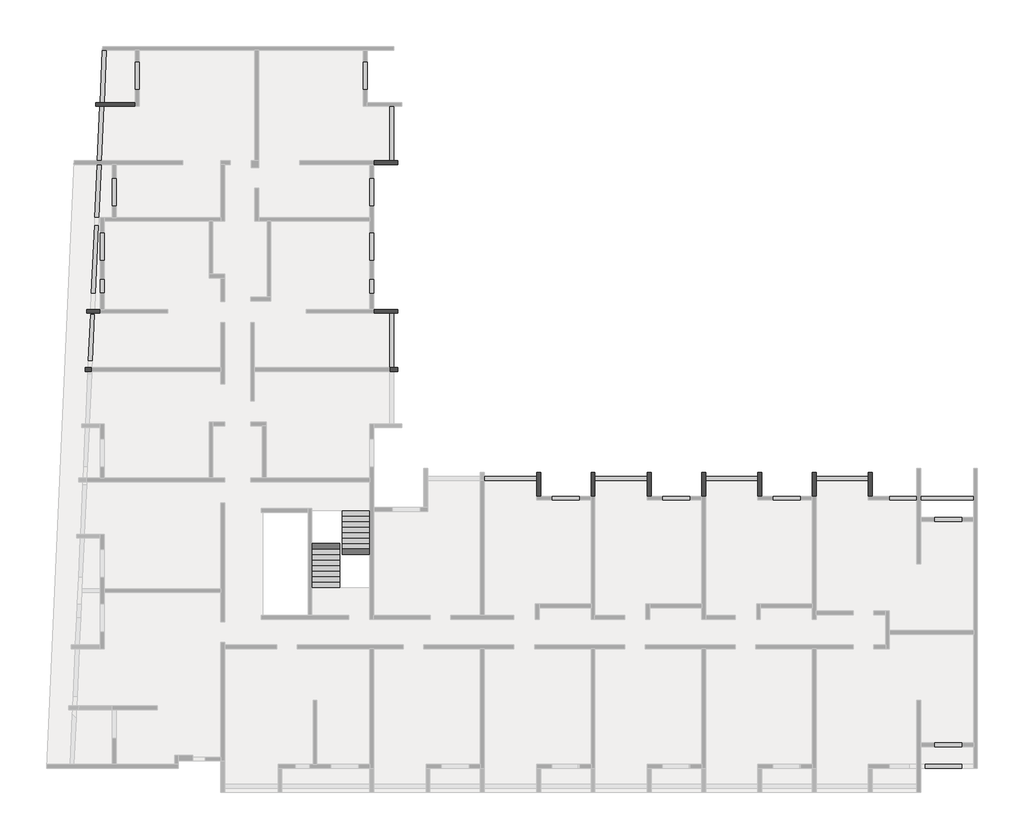
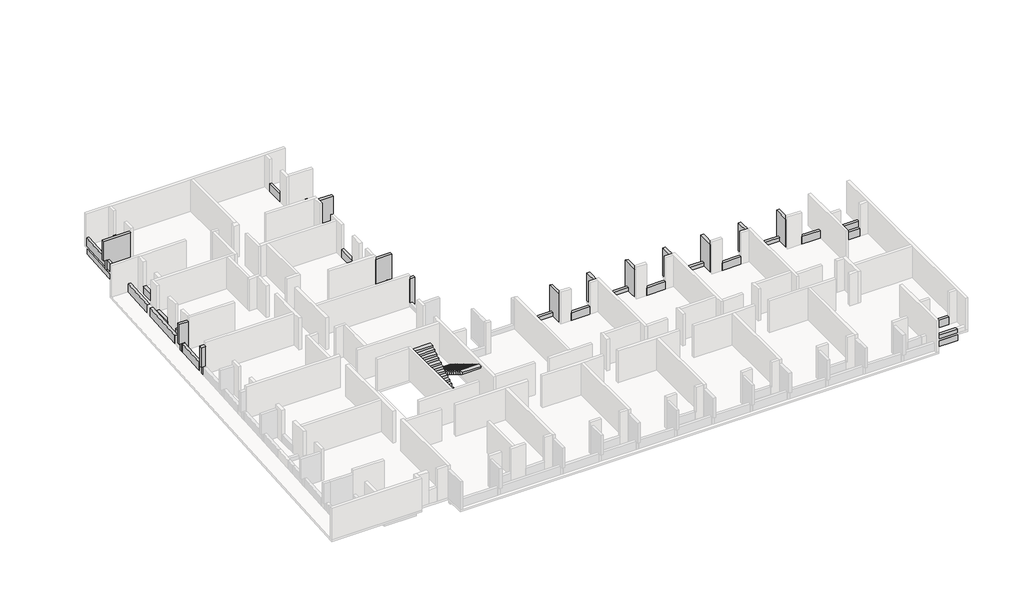
# One storey, part 5 of 5: 40 beams, 2 stair flights.
"""IFC4 building model written with IfcOpenShell, lengths in millimetres."""

from ifc_helpers import new_model, si_unit, frame, origin, place, context, project, spatial, polyline, outline, extrude, faceted_brep, element, save

model = new_model("IFC4")

# Units and contexts
model_context = context("Model", 3, world=origin())
ifc_project = project(units=[si_unit("LENGTHUNIT", "METRE", prefix="MILLI")], contexts=[model_context])

# Site, building, storey
site = spatial("IfcSite", under=ifc_project)
building = spatial("IfcBuilding", under=site)
storey = spatial("IfcBuildingStorey", under=building, Elevation=4700.0)

# Beams
placement = place(None, origin())
element("IfcBeam", 1, ObjectType="VI. 20/238", at=placement, inside=storey, context=model_context, shape_type="Brep", body=[
    faceted_brep([(-43135.6912908, 4200.9327501, 6930.0), (-43135.6912908, 4000.9327501, 6930.0), (-43135.6912908, 4000.9327501, 4700.0), (-43135.6912908, 4200.9327501, 4700.0), (-43830.6912908, 4000.9327501, 6930.0), (-43830.6912908, 4200.9327501, 6930.0), (-43830.6912908, 4200.9327501, 5350.0), (-43830.6912908, 4000.9327501, 5350.0), (-43638.6233787, 4000.9327501, 5350.0), (-43638.6233787, 4000.9327501, 4550.0), (-43635.7305686, 4000.9327501, 4550.0), (-43635.7305686, 4000.9327501, 5350.0), (-43435.5248768, 4000.9327501, 5350.0), (-43435.5248768, 4000.9327501, 4700.0), (-43626.6575861, 4200.9327501, 4550.0), (-43638.6233787, 4200.9327501, 4550.0), (-43426.4518943, 4200.9327501, 4700.0), (-43426.4518943, 4200.9327501, 5350.0), (-43626.6575861, 4200.9327501, 5350.0), (-43638.6233787, 4200.9327501, 5350.0)], [[[0, 1, 2, 3]], [[4, 5, 6, 7]], [[1, 4, 7, 8, 9, 10, 11, 12, 13, 2]], [[14, 10, 9, 15]], [[5, 0, 3, 16, 17, 18, 14, 15, 19, 6]], [[1, 0, 5, 4]], [[3, 2, 13, 16]], [[10, 14, 18, 11]], [[12, 17, 16, 13]], [[17, 12, 11, 18]], [[8, 19, 15, 9]], [[19, 8, 7, 6]]]),
])
element("IfcBeam", 2, ObjectType="VI. 20/238", at=placement, inside=storey, context=model_context, shape_type="Brep", body=[
    faceted_brep([(-3415.6912908, -5419.0672499, 6930.0), (-3615.6912908, -5419.0672499, 6930.0), (-3615.6912908, -5419.0672499, 4700.0), (-3415.6912908, -5419.0672499, 4700.0), (-3615.6912908, -4199.0672499, 6930.0), (-3415.6912908, -4199.0672499, 6930.0), (-3415.6912908, -4199.0672499, 4700.0), (-3615.6912908, -4199.0672499, 4700.0), (-3615.6912908, -4399.0672499, 4700.0), (-3615.6912908, -4599.0672499, 4700.0)], [[[0, 1, 2, 3]], [[4, 5, 6, 7]], [[1, 4, 7, 8, 9, 2]], [[5, 0, 3, 6]], [[1, 0, 5, 4]], [[3, 2, 9, 8, 7, 6]]]),
])
element("IfcBeam", 3, ObjectType="VI. 20/238", at=placement, inside=storey, context=model_context, shape_type="Brep", body=[
    faceted_brep([(-9105.6912908, -5419.0672499, 6930.0), (-9305.6912908, -5419.0672499, 6930.0), (-9305.6912908, -5419.0672499, 4700.0), (-9105.6912908, -5419.0672499, 4700.0), (-9305.6912908, -4199.0672499, 6930.0), (-9105.6912908, -4199.0672499, 6930.0), (-9105.6912908, -4199.0672499, 4700.0), (-9305.6912908, -4199.0672499, 4700.0), (-9305.6912908, -4399.0672499, 4700.0), (-9305.6912908, -4399.0672499, 5000.0), (-9305.6912908, -4599.0672499, 5000.0), (-9305.6912908, -4599.0672499, 4700.0), (-9275.6912908, -4599.0672499, 5000.0), (-9275.6912908, -4399.0672499, 5000.0), (-9275.6912908, -4399.0672499, 4700.0), (-9275.6912908, -4599.0672499, 4700.0)], [[[0, 1, 2, 3]], [[4, 5, 6, 7]], [[1, 4, 7, 8, 9, 10, 11, 2]], [[5, 0, 3, 6]], [[1, 0, 5, 4]], [[12, 13, 14, 15]], [[10, 12, 15, 11]], [[13, 12, 10, 9]], [[13, 9, 8, 14]], [[3, 2, 11, 15, 14, 8, 7, 6]]]),
])
element("IfcBeam", 4, ObjectType="VI. 20/238", at=placement, inside=storey, context=model_context, shape_type="Brep", body=[
    faceted_brep([(-20485.6912908, -5419.0672499, 6930.0), (-20685.6912908, -5419.0672499, 6930.0), (-20685.6912908, -5419.0672499, 4700.0), (-20485.6912908, -5419.0672499, 4700.0), (-20685.6912908, -4199.0672499, 6930.0), (-20485.6912908, -4199.0672499, 6930.0), (-20485.6912908, -4199.0672499, 4700.0), (-20685.6912908, -4199.0672499, 4700.0), (-20685.6912908, -4399.0672499, 4700.0), (-20685.6912908, -4399.0672499, 5000.0), (-20685.6912908, -4599.0672499, 5000.0), (-20685.6912908, -4599.0672499, 4700.0), (-20655.6912908, -4599.0672499, 5000.0), (-20655.6912908, -4399.0672499, 5000.0), (-20655.6912908, -4399.0672499, 4700.0), (-20655.6912908, -4599.0672499, 4700.0)], [[[0, 1, 2, 3]], [[4, 5, 6, 7]], [[1, 4, 7, 8, 9, 10, 11, 2]], [[5, 0, 3, 6]], [[1, 0, 5, 4]], [[12, 13, 14, 15]], [[10, 12, 15, 11]], [[13, 12, 10, 9]], [[13, 9, 8, 14]], [[3, 2, 11, 15, 14, 8, 7, 6]]]),
])
element("IfcBeam", 5, ObjectType="VI. 20/238", at=placement, inside=storey, context=model_context, shape_type="Brep", body=[
    faceted_brep([(-14995.6912908, -4199.0672499, 6930.0), (-14795.6912908, -4199.0672499, 6930.0), (-14795.6912908, -4199.0672499, 4700.0), (-14995.6912908, -4199.0672499, 4700.0), (-14795.6912908, -5419.0672499, 6930.0), (-14995.6912908, -5419.0672499, 6930.0), (-14995.6912908, -5419.0672499, 4700.0), (-14795.6912908, -5419.0672499, 4700.0), (-14995.6912908, -4399.0672499, 4700.0), (-14995.6912908, -4399.0672499, 5000.0), (-14995.6912908, -4599.0672499, 5000.0), (-14995.6912908, -4599.0672499, 4700.0), (-14965.6912908, -4599.0672499, 5000.0), (-14965.6912908, -4399.0672499, 5000.0), (-14965.6912908, -4399.0672499, 4700.0), (-14965.6912908, -4599.0672499, 4700.0)], [[[0, 1, 2, 3]], [[4, 5, 6, 7]], [[1, 4, 7, 2]], [[5, 0, 3, 8, 9, 10, 11, 6]], [[1, 0, 5, 4]], [[12, 13, 14, 15]], [[10, 12, 15, 11]], [[13, 12, 10, 9]], [[13, 9, 8, 14]], [[3, 2, 7, 6, 11, 15, 14, 8]]]),
])
element("IfcBeam", 6, ObjectType="VI. 20/238", at=placement, inside=storey, context=model_context, shape_type="Brep", body=[
    faceted_brep([(-41335.6912908, 14850.9327501, 6930.0), (-41335.6912908, 14650.9327501, 6930.0), (-41335.6912908, 14650.9327501, 4700.0), (-41335.6912908, 14850.9327501, 4700.0), (-43355.6912908, 14650.9327501, 6930.0), (-43355.6912908, 14850.9327501, 6930.0), (-43355.6912908, 14850.9327501, 5350.0), (-43355.6912908, 14650.9327501, 5350.0), (-43154.5236196, 14650.9327501, 5350.0), (-43154.5236196, 14650.9327501, 4550.0), (-43152.5942526, 14650.9327501, 4550.0), (-43152.5942526, 14650.9327501, 4700.0), (-42952.3885608, 14650.9327501, 4700.0), (-43154.5236196, 14850.9327501, 4550.0), (-43143.5212701, 14850.9327501, 4550.0), (-42943.3155784, 14850.9327501, 4700.0), (-43143.5212701, 14850.9327501, 4700.0), (-43154.5236196, 14850.9327501, 5350.0)], [[[0, 1, 2, 3]], [[4, 5, 6, 7]], [[1, 4, 7, 8, 9, 10, 11, 12, 2]], [[9, 13, 14, 10]], [[5, 0, 3, 15, 16, 14, 13, 17, 6]], [[1, 0, 5, 4]], [[11, 16, 15, 3, 2, 12]], [[16, 11, 10, 14]], [[8, 17, 13, 9]], [[17, 8, 7, 6]]]),
])
element("IfcBeam", 7, ObjectType="VI. 20/238", at=placement, inside=storey, context=model_context, shape_type="Brep", body=[
    faceted_brep([(-43571.6196137, 1000.9327501, 6930.0), (-43917.1345454, 1000.9327501, 6930.0), (-43917.1345454, 1000.9327501, 5350.0), (-43771.8253055, 1000.9327501, 5350.0), (-43571.6196137, 1000.9327501, 5350.0), (-43917.1345454, 1200.9327501, 6930.0), (-43562.5466312, 1200.9327501, 6930.0), (-43562.5466312, 1200.9327501, 5350.0), (-43762.752323, 1200.9327501, 5350.0), (-43762.752323, 1200.9327501, 4700.0), (-43771.8253055, 1200.9327501, 4700.0), (-43771.8253055, 1200.9327501, 5350.0), (-43917.1345454, 1200.9327501, 5350.0), (-43771.8253055, 1000.9327501, 4700.0)], [[[0, 1, 2, 3, 4]], [[5, 6, 7, 8, 9, 10, 11, 12]], [[5, 1, 0, 6]], [[13, 10, 9]], [[8, 3, 13, 9]], [[3, 8, 7, 4]], [[6, 0, 4, 7]], [[3, 11, 10, 13]], [[11, 3, 2, 12]], [[1, 5, 12, 2]]]),
])
element("IfcBeam", 8, ObjectType="VI. 20/238", at=placement, inside=storey, context=model_context, shape_type="Brep", body=[
    faceted_brep([(-27835.6912908, 11850.9327501, 6930.0), (-27835.6912908, 11650.9327501, 6930.0), (-27835.6912908, 11650.9327501, 4700.0), (-27835.6912908, 11850.9327501, 4700.0), (-29065.6912908, 11650.9327501, 4700.0), (-29065.6912908, 11650.9327501, 6930.0), (-28035.6912908, 11850.9327501, 4700.0), (-28235.6912908, 11850.9327501, 4700.0), (-29065.6912908, 11850.9327501, 4700.0), (-29065.6912908, 11850.9327501, 6930.0)], [[[0, 1, 2, 3]], [[4, 2, 1, 5]], [[3, 6, 7, 8, 9, 0]], [[1, 0, 9, 5]], [[2, 4, 8, 7, 6, 3]], [[4, 5, 9, 8]]]),
])
element("IfcBeam", 9, ObjectType="VI. 20/238", at=placement, inside=storey, context=model_context, shape_type="Brep", body=[
    faceted_brep([(-27835.6912908, 4200.9327501, 6930.0), (-27835.6912908, 4000.9327501, 6930.0), (-27835.6912908, 4000.9327501, 4700.0), (-27835.6912908, 4200.9327501, 4700.0), (-29065.6912908, 4200.9327501, 4700.0), (-29065.6912908, 4200.9327501, 6930.0), (-28035.6912908, 4000.9327501, 4700.0), (-29065.6912908, 4000.9327501, 6930.0), (-29065.6912908, 4000.9327501, 4700.0), (-28235.6912908, 4000.9327501, 4700.0)], [[[0, 1, 2, 3]], [[3, 4, 5, 0]], [[6, 2, 1, 7, 8, 9]], [[1, 0, 5, 7]], [[4, 3, 2, 6, 9, 8]], [[5, 4, 8, 7]]]),
])
element("IfcBeam", 10, ObjectType="VI. 20/238", at=placement, inside=storey, context=model_context, shape_type="Brep", body=[
    faceted_brep([(-28235.6912908, 1000.9327501, 6930.0), (-28235.6912908, 1200.9327501, 6930.0), (-28235.6912908, 1200.9327501, 5000.0), (-28235.6912908, 1200.9327501, 4700.0), (-28235.6912908, 1000.9327501, 4700.0), (-28235.6912908, 1000.9327501, 5000.0), (-27835.6912908, 1200.9327501, 6930.0), (-27835.6912908, 1000.9327501, 6930.0), (-27835.6912908, 1000.9327501, 4700.0), (-27835.6912908, 1200.9327501, 4700.0), (-28035.6912908, 1200.9327501, 4700.0), (-28035.6912908, 1000.9327501, 4700.0)], [[[0, 1, 2, 3, 4, 5]], [[6, 7, 8, 9]], [[1, 6, 9, 10, 3, 2]], [[7, 0, 5, 4, 11, 8]], [[1, 0, 7, 6]], [[4, 3, 10, 9, 8, 11]]]),
])
element("IfcBeam", 11, ObjectType="VI. 20/238", at=placement, inside=storey, context=model_context, shape_type="Brep", body=[
    faceted_brep([(-6305.6912908, -5419.0672499, 6930.0), (-6505.6912908, -5419.0672499, 6930.0), (-6505.6912908, -5419.0672499, 4700.0), (-6305.6912908, -5419.0672499, 4700.0), (-6505.6912908, -4199.0672499, 6930.0), (-6305.6912908, -4199.0672499, 6930.0), (-6305.6912908, -4199.0672499, 4700.0), (-6505.6912908, -4199.0672499, 4700.0), (-6305.6912908, -4599.0672499, 4700.0), (-6305.6912908, -4399.0672499, 4700.0)], [[[0, 1, 2, 3]], [[4, 5, 6, 7]], [[1, 4, 7, 2]], [[5, 0, 3, 8, 9, 6]], [[1, 0, 5, 4]], [[3, 2, 7, 6, 9, 8]]]),
])
element("IfcBeam", 12, ObjectType="VI. 20/238", at=placement, inside=storey, context=model_context, shape_type="Brep", body=[
    faceted_brep([(-11995.6912908, -5419.0672499, 6930.0), (-12195.6912908, -5419.0672499, 6930.0), (-12195.6912908, -5419.0672499, 4700.0), (-11995.6912908, -5419.0672499, 4700.0), (-12195.6912908, -4199.0672499, 6930.0), (-11995.6912908, -4199.0672499, 6930.0), (-11995.6912908, -4199.0672499, 4700.0), (-12195.6912908, -4199.0672499, 4700.0), (-11995.6912908, -4599.0672499, 4700.0), (-11995.6912908, -4399.0672499, 4700.0)], [[[0, 1, 2, 3]], [[4, 5, 6, 7]], [[1, 4, 7, 2]], [[5, 0, 3, 8, 9, 6]], [[1, 0, 5, 4]], [[3, 2, 7, 6, 9, 8]]]),
])
element("IfcBeam", 13, ObjectType="VI. 20/238", at=placement, inside=storey, context=model_context, shape_type="Brep", body=[
    faceted_brep([(-17685.6912908, -5419.0672499, 6930.0), (-17885.6912908, -5419.0672499, 6930.0), (-17885.6912908, -5419.0672499, 4700.0), (-17685.6912908, -5419.0672499, 4700.0), (-17885.6912908, -4199.0672499, 6930.0), (-17685.6912908, -4199.0672499, 6930.0), (-17685.6912908, -4199.0672499, 4700.0), (-17885.6912908, -4199.0672499, 4700.0), (-17685.6912908, -4599.0672499, 4700.0), (-17685.6912908, -4399.0672499, 4700.0)], [[[0, 1, 2, 3]], [[4, 5, 6, 7]], [[1, 4, 7, 2]], [[5, 0, 3, 8, 9, 6]], [[1, 0, 5, 4]], [[3, 2, 7, 6, 9, 8]]]),
])
element("IfcBeam", 14, ObjectType="VI. 20/45", at=placement, inside=storey, context=model_context, shape_type="SweptSolid", body=[
    extrude(outline(polyline([(-3615.6912908, -4399.0672499), (-3615.6912908, -4599.0672499), (-6305.6912908, -4599.0672499), (-6305.6912908, -4399.0672499), (-3615.6912908, -4399.0672499)])), frame((0.0, 0.0, 4700.0), z_axis=(0.0, 0.0, 1.0), x_axis=(1.0, 0.0, 0.0)), (0.0, 0.0, 1.0), 300.0),
])
element("IfcBeam", 15, ObjectType="VI. 20/45", at=placement, inside=storey, context=model_context, shape_type="Brep", body=[
    faceted_brep([(-9275.6912908, -4399.0672499, 5000.0), (-9275.6912908, -4599.0672499, 5000.0), (-9275.6912908, -4599.0672499, 4700.0), (-9275.6912908, -4399.0672499, 4700.0), (-11995.6912908, -4599.0672499, 5000.0), (-11995.6912908, -4399.0672499, 5000.0), (-11995.6912908, -4399.0672499, 4700.0), (-11995.6912908, -4599.0672499, 4700.0), (-9305.6912908, -4599.0672499, 5000.0), (-9305.6912908, -4599.0672499, 4700.0), (-9305.6912908, -4399.0672499, 5000.0), (-9305.6912908, -4399.0672499, 4700.0)], [[[0, 1, 2, 3]], [[4, 5, 6, 7]], [[1, 8, 4, 7, 9, 2]], [[5, 10, 0, 3, 11, 6]], [[1, 0, 10, 5, 4, 8]], [[3, 2, 9, 7, 6, 11]]]),
])
element("IfcBeam", 16, ObjectType="VI. 20/45", at=placement, inside=storey, context=model_context, shape_type="Brep", body=[
    faceted_brep([(-14965.6912908, -4399.0672499, 5000.0), (-14965.6912908, -4599.0672499, 5000.0), (-14965.6912908, -4599.0672499, 4700.0), (-14965.6912908, -4399.0672499, 4700.0), (-17685.6912908, -4599.0672499, 5000.0), (-17685.6912908, -4399.0672499, 5000.0), (-17685.6912908, -4399.0672499, 4700.0), (-17685.6912908, -4599.0672499, 4700.0), (-14995.6912908, -4599.0672499, 5000.0), (-14995.6912908, -4599.0672499, 4700.0), (-14995.6912908, -4399.0672499, 5000.0), (-14995.6912908, -4399.0672499, 4700.0)], [[[0, 1, 2, 3]], [[4, 5, 6, 7]], [[1, 8, 4, 7, 9, 2]], [[5, 10, 0, 3, 11, 6]], [[1, 0, 10, 5, 4, 8]], [[3, 2, 9, 7, 6, 11]]]),
])
element("IfcBeam", 17, ObjectType="VI. 20/45", at=placement, inside=storey, context=model_context, shape_type="Brep", body=[
    faceted_brep([(-20655.6912908, -4399.0672499, 5000.0), (-20655.6912908, -4599.0672499, 5000.0), (-20655.6912908, -4599.0672499, 4700.0), (-20655.6912908, -4399.0672499, 4700.0), (-23375.6912908, -4599.0672499, 5000.0), (-23375.6912908, -4399.0672499, 5000.0), (-23375.6912908, -4399.0672499, 4700.0), (-23375.6912908, -4599.0672499, 4700.0), (-20685.6912908, -4599.0672499, 5000.0), (-20685.6912908, -4599.0672499, 4700.0), (-20685.6912908, -4399.0672499, 5000.0), (-20685.6912908, -4399.0672499, 4700.0)], [[[0, 1, 2, 3]], [[4, 5, 6, 7]], [[1, 8, 4, 7, 9, 2]], [[5, 10, 0, 3, 11, 6]], [[1, 0, 10, 5, 4, 8]], [[3, 2, 9, 7, 6, 11]]]),
])
element("IfcBeam", 18, ObjectType="VI. 20/45", at=placement, inside=storey, context=model_context, shape_type="SweptSolid", body=[
    extrude(outline(polyline([(-28235.6912908, 14650.9327501), (-28035.6912908, 14650.9327501), (-28035.6912908, 11850.9327501), (-28235.6912908, 11850.9327501), (-28235.6912908, 14650.9327501)])), frame((0.0, 0.0, 4700.0), z_axis=(0.0, 0.0, 1.0), x_axis=(1.0, 0.0, 0.0)), (0.0, 0.0, 1.0), 300.0),
])
element("IfcBeam", 19, ObjectType="VI. 20/45", at=placement, inside=storey, context=model_context, shape_type="SweptSolid", body=[
    extrude(outline(polyline([(-28035.6912908, 1200.9327501), (-28235.6912908, 1200.9327501), (-28235.6912908, 4000.9327501), (-28035.6912908, 4000.9327501), (-28035.6912908, 1200.9327501)])), frame((0.0, 0.0, 4700.0), z_axis=(0.0, 0.0, 1.0), x_axis=(1.0, 0.0, 0.0)), (0.0, 0.0, 1.0), 300.0),
])
element("IfcBeam", 20, ObjectType="VI. 20/47", at=placement, inside=storey, context=model_context, shape_type="Brep", body=[
    faceted_brep([(1794.3087092, -5619.0672499, 5020.0), (1794.3087092, -5619.0672499, 4550.0), (1794.3087092, -5419.0672499, 4550.0), (1794.3087092, -5419.0672499, 5020.0), (-925.6912908, -5619.0672499, 5020.0), (-925.6912908, -5419.0672499, 5020.0), (-925.6912908, -5419.0672499, 4700.0), (-925.6912908, -5419.0672499, 4550.0), (-925.6912908, -5619.0672499, 4550.0), (-925.6912908, -5619.0672499, 4700.0)], [[[0, 1, 2, 3]], [[4, 5, 6, 7, 8, 9]], [[1, 0, 4, 9, 8]], [[2, 1, 8, 7]], [[3, 2, 7, 6, 5]], [[0, 3, 5, 4]]]),
])
element("IfcBeam", 21, ObjectType="VI. 20/47", at=placement, inside=storey, context=model_context, shape_type="SweptSolid", body=[
    extrude(outline(polyline([(1214.3087092, -19219.0672499), (1214.3087092, -19419.0672499), (-725.6912908, -19419.0672499), (-725.6912908, -19219.0672499), (1214.3087092, -19219.0672499)])), frame((0.0, 0.0, 4700.0), z_axis=(0.0, 0.0, 1.0), x_axis=(1.0, 0.0, 0.0)), (0.0, 0.0, 1.0), 320.0),
])
element("IfcBeam", 22, ObjectType="VI. 20/75", at=placement, inside=storey, context=model_context, shape_type="SweptSolid", body=[
    extrude(outline(polyline([(1189.3087092, -6519.0672499), (1189.3087092, -6719.0672499), (-200.6912908, -6719.0672499), (-200.6912908, -6519.0672499), (1189.3087092, -6519.0672499)])), frame((0.0, 0.0, 4700.0), z_axis=(0.0, 0.0, 1.0), x_axis=(1.0, 0.0, 0.0)), (0.0, 0.0, 1.0), 600.0),
])
element("IfcBeam", 23, ObjectType="VI. 20/75", at=placement, inside=storey, context=model_context, shape_type="SweptSolid", body=[
    extrude(outline(polyline([(-1125.6912908, -5419.0672499), (-1125.6912908, -5619.0672499), (-2545.6912908, -5619.0672499), (-2545.6912908, -5419.0672499), (-1125.6912908, -5419.0672499)])), frame((0.0, 0.0, 4700.0), z_axis=(0.0, 0.0, 1.0), x_axis=(1.0, 0.0, 0.0)), (0.0, 0.0, 1.0), 600.0),
])
element("IfcBeam", 24, ObjectType="VI. 20/75", at=placement, inside=storey, context=model_context, shape_type="SweptSolid", body=[
    extrude(outline(polyline([(1189.3087092, -18119.0672499), (1189.3087092, -18319.0672499), (-200.6912908, -18319.0672499), (-200.6912908, -18119.0672499), (1189.3087092, -18119.0672499)])), frame((0.0, 0.0, 4700.0), z_axis=(0.0, 0.0, 1.0), x_axis=(1.0, 0.0, 0.0)), (0.0, 0.0, 1.0), 600.0),
])
element("IfcBeam", 25, ObjectType="VI. 20/75", at=placement, inside=storey, context=model_context, shape_type="SweptSolid", body=[
    extrude(outline(polyline([(-7085.6912908, -5419.0672499), (-7085.6912908, -5619.0672499), (-8525.6912908, -5619.0672499), (-8525.6912908, -5419.0672499), (-7085.6912908, -5419.0672499)])), frame((0.0, 0.0, 4700.0), z_axis=(0.0, 0.0, 1.0), x_axis=(1.0, 0.0, 0.0)), (0.0, 0.0, 1.0), 600.0),
])
element("IfcBeam", 26, ObjectType="VI. 20/75", at=placement, inside=storey, context=model_context, shape_type="SweptSolid", body=[
    extrude(outline(polyline([(-41135.6912908, 15510.9327501), (-41335.6912908, 15510.9327501), (-41335.6912908, 16950.9327501), (-41135.6912908, 16950.9327501), (-41135.6912908, 15510.9327501)])), frame((0.0, 0.0, 4700.0), z_axis=(0.0, 0.0, 1.0), x_axis=(1.0, 0.0, 0.0)), (0.0, 0.0, 1.0), 600.0),
])
element("IfcBeam", 27, ObjectType="VI. 20/75", at=placement, inside=storey, context=model_context, shape_type="SweptSolid", body=[
    extrude(outline(polyline([(-42525.6912908, 10950.9327501), (-42325.6912908, 10950.9327501), (-42325.6912908, 9510.9327501), (-42525.6912908, 9510.9327501), (-42525.6912908, 10950.9327501)])), frame((0.0, 0.0, 4700.0), z_axis=(0.0, 0.0, 1.0), x_axis=(1.0, 0.0, 0.0)), (0.0, 0.0, 1.0), 600.0),
])
element("IfcBeam", 28, ObjectType="VI. 20/75", at=placement, inside=storey, context=model_context, shape_type="SweptSolid", body=[
    extrude(outline(polyline([(-29265.6912908, 8150.9327501), (-29065.6912908, 8150.9327501), (-29065.6912908, 6710.9327501), (-29265.6912908, 6710.9327501), (-29265.6912908, 8150.9327501)])), frame((0.0, 0.0, 4700.0), z_axis=(0.0, 0.0, 1.0), x_axis=(1.0, 0.0, 0.0)), (0.0, 0.0, 1.0), 600.0),
])
element("IfcBeam", 29, ObjectType="VI. 20/75", at=placement, inside=storey, context=model_context, shape_type="SweptSolid", body=[
    extrude(outline(polyline([(-42935.6912908, 6710.9327501), (-43135.6912908, 6710.9327501), (-43135.6912908, 8150.9327501), (-42935.6912908, 8150.9327501), (-42935.6912908, 6710.9327501)])), frame((0.0, 0.0, 4700.0), z_axis=(0.0, 0.0, 1.0), x_axis=(1.0, 0.0, 0.0)), (0.0, 0.0, 1.0), 600.0),
])
element("IfcBeam", 30, ObjectType="VI. 20/75", at=placement, inside=storey, context=model_context, shape_type="SweptSolid", body=[
    extrude(outline(polyline([(-12775.6912908, -5419.0672499), (-12775.6912908, -5619.0672499), (-14215.6912908, -5619.0672499), (-14215.6912908, -5419.0672499), (-12775.6912908, -5419.0672499)])), frame((0.0, 0.0, 4700.0), z_axis=(0.0, 0.0, 1.0), x_axis=(1.0, 0.0, 0.0)), (0.0, 0.0, 1.0), 600.0),
])
element("IfcBeam", 31, ObjectType="VI. 20/75", at=placement, inside=storey, context=model_context, shape_type="SweptSolid", body=[
    extrude(outline(polyline([(-18465.6912908, -5419.0672499), (-18465.6912908, -5619.0672499), (-19905.6912908, -5619.0672499), (-19905.6912908, -5419.0672499), (-18465.6912908, -5419.0672499)])), frame((0.0, 0.0, 4700.0), z_axis=(0.0, 0.0, 1.0), x_axis=(1.0, 0.0, 0.0)), (0.0, 0.0, 1.0), 600.0),
])
element("IfcBeam", 32, ObjectType="VI. 20/75", at=placement, inside=storey, context=model_context, shape_type="SweptSolid", body=[
    extrude(outline(polyline([(-42935.6912908, 5030.9327501), (-43135.6912908, 5030.9327501), (-43135.6912908, 5770.9327501), (-42935.6912908, 5770.9327501), (-42935.6912908, 5030.9327501)])), frame((0.0, 0.0, 4700.0), z_axis=(0.0, 0.0, 1.0), x_axis=(1.0, 0.0, 0.0)), (0.0, 0.0, 1.0), 600.0),
])
element("IfcBeam", 33, ObjectType="VI. 20/75", at=placement, inside=storey, context=model_context, shape_type="SweptSolid", body=[
    extrude(outline(polyline([(-29265.6912908, 5760.9327501), (-29065.6912908, 5760.9327501), (-29065.6912908, 5020.9327501), (-29265.6912908, 5020.9327501), (-29265.6912908, 5760.9327501)])), frame((0.0, 0.0, 4700.0), z_axis=(0.0, 0.0, 1.0), x_axis=(1.0, 0.0, 0.0)), (0.0, 0.0, 1.0), 600.0),
])
element("IfcBeam", 34, ObjectType="VI. 20/75", at=placement, inside=storey, context=model_context, shape_type="SweptSolid", body=[
    extrude(outline(polyline([(-29265.6912908, 10925.9327501), (-29065.6912908, 10925.9327501), (-29065.6912908, 9535.9327501), (-29265.6912908, 9535.9327501), (-29265.6912908, 10925.9327501)])), frame((0.0, 0.0, 4700.0), z_axis=(0.0, 0.0, 1.0), x_axis=(1.0, 0.0, 0.0)), (0.0, 0.0, 1.0), 600.0),
])
element("IfcBeam", 35, ObjectType="VI. 20/75", at=placement, inside=storey, context=model_context, shape_type="SweptSolid", body=[
    extrude(outline(polyline([(-29595.6912908, 16950.9327501), (-29395.6912908, 16950.9327501), (-29395.6912908, 15510.9327501), (-29595.6912908, 15510.9327501), (-29595.6912908, 16950.9327501)])), frame((0.0, 0.0, 4700.0), z_axis=(0.0, 0.0, 1.0), x_axis=(1.0, 0.0, 0.0)), (0.0, 0.0, 1.0), 600.0),
])
element("IfcBeam", 36, ObjectType="VSI. 20/60+32", at=placement, inside=storey, context=model_context, shape_type="SweptSolid", body=[
    extrude(outline(polyline([(1214.3087092, -19219.0672499), (1214.3087092, -19419.0672499), (-725.6912908, -19419.0672499), (-725.6912908, -19219.0672499), (1214.3087092, -19219.0672499)])), frame((0.0, 0.0, 4100.0), z_axis=(0.0, 0.0, 1.0), x_axis=(1.0, 0.0, 0.0)), (0.0, 0.0, 1.0), 450.0),
])
element("IfcBeam", 37, ObjectType="VSI. 20/60+65", at=placement, inside=storey, context=model_context, shape_type="SweptSolid", body=[
    extrude(outline(polyline([(-43547.1589049, 1540.1316067), (-43746.9534244, 1549.1952676), (-43637.9988142, 3950.9327501), (-43437.7931224, 3950.9327501), (-43547.1589049, 1540.1316067)])), frame((0.0, 0.0, 4100.0), z_axis=(0.0, 0.0, 1.0), x_axis=(1.0, 0.0, 0.0)), (0.0, 0.0, 1.0), 450.0),
    extrude(outline(polyline([(-43547.1589049, 1540.1316067), (-43746.9534244, 1549.1952676), (-43637.9988142, 3950.9327501), (-43437.7931224, 3950.9327501), (-43547.1589049, 1540.1316067)])), frame((0.0, 0.0, 4700.0), z_axis=(0.0, 0.0, 1.0), x_axis=(1.0, 0.0, 0.0)), (0.0, 0.0, 1.0), 650.0),
])
element("IfcBeam", 38, ObjectType="VSI. 20/60+65", at=placement, inside=storey, context=model_context, shape_type="Brep", body=[
    faceted_brep([(-42943.3155784, 14850.9327501, 5350.0), (-42943.3155784, 14850.9327501, 4700.0), (-42826.2741046, 17430.9327501, 4700.0), (-42821.7376134, 17530.9327501, 4700.0), (-42821.7376134, 17530.9327501, 5350.0), (-43143.5212701, 14850.9327501, 5350.0), (-43021.9433052, 17530.9327501, 5350.0), (-43143.5212701, 14850.9327501, 4700.0), (-43026.4797964, 17430.9327501, 4700.0), (-43021.9433052, 17530.9327501, 4700.0)], [[[0, 1, 2, 3, 4]], [[5, 0, 4, 6]], [[2, 1, 7, 8, 9, 3]], [[8, 7, 5, 6, 9]], [[1, 0, 5, 7]], [[4, 3, 9, 6]]]),
    faceted_brep([(-43026.4797964, 17430.9327501, 4100.0), (-42826.2741046, 17430.9327501, 4100.0), (-43077.1420696, 11900.9327501, 4100.0), (-43277.3477614, 11900.9327501, 4100.0), (-43026.4797964, 17430.9327501, 4550.0), (-43277.3477614, 11900.9327501, 4550.0), (-43152.5942526, 14650.9327501, 4550.0), (-43143.5212701, 14850.9327501, 4550.0), (-42826.2741046, 17430.9327501, 4550.0), (-43077.1420696, 11900.9327501, 4550.0), (-42952.3885608, 14650.9327501, 4550.0), (-42943.3155784, 14850.9327501, 4550.0)], [[[0, 1, 2, 3]], [[4, 0, 3, 5, 6, 7]], [[8, 4, 7, 6, 5, 9, 10, 11]], [[1, 0, 4, 8]], [[9, 2, 1, 8, 11, 10]], [[3, 2, 9, 5]]]),
    faceted_brep([(-43152.5942526, 14650.9327501, 5350.0), (-42952.3885608, 14650.9327501, 5350.0), (-42952.3885608, 14650.9327501, 4700.0), (-43152.5942526, 14650.9327501, 4700.0), (-43079.4103153, 11850.9327501, 4700.0), (-43079.4103153, 11850.9327501, 5350.0), (-43279.616007, 11850.9327501, 5350.0), (-43279.616007, 11850.9327501, 4700.0), (-43077.1420696, 11900.9327501, 4700.0), (-43277.3477614, 11900.9327501, 4700.0)], [[[0, 1, 2, 3]], [[4, 5, 6, 7]], [[1, 5, 4, 8, 2]], [[1, 0, 6, 5]], [[8, 4, 7, 9, 3, 2]], [[6, 0, 3, 9, 7]]]),
])
element("IfcBeam", 39, ObjectType="VSI. 20/60+65", at=placement, inside=storey, context=model_context, shape_type="Brep", body=[
    faceted_brep([(-43088.4832977, 11650.9327501, 4700.0), (-43088.4832977, 11650.9327501, 5350.0), (-43211.8758592, 8930.9327501, 5350.0), (-43211.8758592, 8930.9327501, 4700.0), (-43209.6076136, 8980.9327501, 4700.0), (-43090.7515433, 11600.9327501, 4700.0), (-43288.6889895, 11650.9327501, 5350.0), (-43412.0815509, 8930.9327501, 5350.0), (-43288.6889895, 11650.9327501, 4700.0), (-43412.0815509, 8930.9327501, 4700.0), (-43409.8133053, 8980.9327501, 4700.0), (-43290.9572351, 11600.9327501, 4700.0)], [[[0, 1, 2, 3, 4, 5]], [[1, 6, 7, 2]], [[8, 0, 5, 4, 3, 9, 10, 11]], [[6, 8, 11, 10, 9, 7]], [[6, 1, 0, 8]], [[3, 2, 7, 9]]]),
    faceted_brep([(-43290.9572351, 11600.9327501, 4100.0), (-43090.7515433, 11600.9327501, 4100.0), (-43209.6076136, 8980.9327501, 4100.0), (-43409.8133053, 8980.9327501, 4100.0), (-43290.9572351, 11600.9327501, 4550.0), (-43409.8133053, 8980.9327501, 4550.0), (-43090.7515433, 11600.9327501, 4550.0), (-43209.6076136, 8980.9327501, 4550.0)], [[[0, 1, 2, 3]], [[4, 0, 3, 5]], [[6, 4, 5, 7]], [[1, 6, 7, 2]], [[1, 0, 4, 6]], [[3, 2, 7, 5]]]),
])
element("IfcBeam", 40, ObjectType="VSI. 20/60+65", at=placement, inside=storey, context=model_context, shape_type="SweptSolid", body=[
    extrude(outline(polyline([(-43429.5486287, 8545.8977781), (-43229.7541091, 8536.8341172), (-43390.1809063, 5000.4711207), (-43589.9754259, 5009.5347816), (-43429.5486287, 8545.8977781)])), frame((0.0, 0.0, 4700.0), z_axis=(0.0, 0.0, 1.0), x_axis=(1.0, 0.0, 0.0)), (0.0, 0.0, 1.0), 650.0),
    extrude(outline(polyline([(-43429.5486287, 8545.8977781), (-43229.7541091, 8536.8341172), (-43390.1809063, 5000.4711207), (-43589.9754259, 5009.5347816), (-43429.5486287, 8545.8977781)])), frame((0.0, 0.0, 4100.0), z_axis=(0.0, 0.0, 1.0), x_axis=(1.0, 0.0, 0.0)), (0.0, 0.0, 1.0), 450.0),
])

# Stair flights
element("IfcStairFlight", 41, at=placement, inside=storey, context=model_context, shape_type="Brep", body=[
    faceted_brep([(-29265.6912908, -6464.0672499, 4868.6666667), (-29265.6912908, -6184.0672499, 4868.6666667), (-30695.6912908, -6184.0672499, 4868.6666667), (-30695.6912908, -6464.0672499, 4868.6666667), (-29265.6912908, -6464.0672499, 4716.9024366), (-29265.6912908, -6436.0078689, 4700.0), (-29265.6912908, -6184.0672499, 4700.0), (-30695.6912908, -6184.0672499, 4700.0), (-30695.6912908, -6436.0078689, 4700.0), (-30695.6912908, -6464.0672499, 4716.9024366), (-29265.6912908, -6744.0672499, 5037.3333333), (-29265.6912908, -6464.0672499, 5037.3333333), (-30695.6912908, -6464.0672499, 5037.3333333), (-30695.6912908, -6744.0672499, 5037.3333333), (-29265.6912908, -6744.0672499, 4885.5691033), (-30695.6912908, -6744.0672499, 4885.5691033), (-29265.6912908, -7024.0672499, 5206.0), (-29265.6912908, -6744.0672499, 5206.0), (-30695.6912908, -6744.0672499, 5206.0), (-30695.6912908, -7024.0672499, 5206.0), (-29265.6912908, -7024.0672499, 5054.23577), (-30695.6912908, -7024.0672499, 5054.23577), (-29265.6912908, -7304.0672499, 5374.6666667), (-29265.6912908, -7024.0672499, 5374.6666667), (-30695.6912908, -7024.0672499, 5374.6666667), (-30695.6912908, -7304.0672499, 5374.6666667), (-29265.6912908, -7304.0672499, 5222.9024366), (-30695.6912908, -7304.0672499, 5222.9024366), (-29265.6912908, -7584.0672499, 5543.3333333), (-29265.6912908, -7304.0672499, 5543.3333333), (-30695.6912908, -7304.0672499, 5543.3333333), (-30695.6912908, -7584.0672499, 5543.3333333), (-29265.6912908, -7584.0672499, 5391.5691033), (-30695.6912908, -7584.0672499, 5391.5691033), (-29265.6912908, -7864.0672499, 5712.0), (-29265.6912908, -7584.0672499, 5712.0), (-30695.6912908, -7584.0672499, 5712.0), (-30695.6912908, -7864.0672499, 5712.0), (-29265.6912908, -7864.0672499, 5560.23577), (-30695.6912908, -7864.0672499, 5560.23577), (-29265.6912908, -8144.0672499, 5880.6666667), (-29265.6912908, -7864.0672499, 5880.6666667), (-30695.6912908, -7864.0672499, 5880.6666667), (-30695.6912908, -8144.0672499, 5880.6666667), (-29265.6912908, -8144.0672499, 5728.9024366), (-30695.6912908, -8144.0672499, 5728.9024366), (-29265.6912908, -8424.0672499, 6049.3333333), (-29265.6912908, -8144.0672499, 6049.3333333), (-30695.6912908, -8144.0672499, 6049.3333333), (-30695.6912908, -8424.0672499, 6049.3333333), (-29265.6912908, -8424.0672499, 5897.5691033), (-30695.6912908, -8424.0672499, 5897.5691033), (-29265.6912908, -8704.0672499, 6218.0), (-29265.6912908, -8424.0672499, 6218.0), (-30695.6912908, -8424.0672499, 6218.0), (-30695.6912908, -8704.0672499, 6218.0), (-29265.6912908, -8704.0672499, 6066.23577), (-30695.6912908, -8704.0672499, 6066.23577), (-29265.6912908, -8984.0672499, 6386.6666667), (-29265.6912908, -8704.0672499, 6386.6666667), (-30695.6912908, -8704.0672499, 6386.6666667), (-30695.6912908, -8984.0672499, 6386.6666667), (-29265.6912908, -8984.0672499, 6234.9024366), (-30695.6912908, -8984.0672499, 6234.9024366), (-29265.6912908, -9264.0672499, 6555.3333333), (-29265.6912908, -8984.0672499, 6555.3333333), (-30695.6912908, -8984.0672499, 6555.3333333), (-30695.6912908, -9264.0672499, 6555.3333333), (-29265.6912908, -9264.0672499, 6403.5691033), (-30695.6912908, -9264.0672499, 6403.5691033), (-29265.6912908, -9544.0672499, 6724.0), (-29265.6912908, -9264.0672499, 6724.0), (-30695.6912908, -9264.0672499, 6724.0), (-30695.6912908, -9544.0672499, 6724.0), (-29265.6912908, -9544.0672499, 6572.23577), (-30695.6912908, -9544.0672499, 6572.23577), (-29265.6912908, -9824.0672499, 6892.6666667), (-29265.6912908, -9544.0672499, 6892.6666667), (-30695.6912908, -9544.0672499, 6892.6666667), (-30695.6912908, -9824.0672499, 6892.6666667), (-29265.6912908, -9824.0672499, 6740.9024366), (-30695.6912908, -9824.0672499, 6740.9024366), (-29265.6912908, -10104.0672499, 7061.3333333), (-29265.6912908, -9824.0672499, 7061.3333333), (-30695.6912908, -9824.0672499, 7061.3333333), (-30695.6912908, -10104.0672499, 7061.3333333), (-29265.6912908, -10104.0672499, 6909.5691033), (-30695.6912908, -10104.0672499, 6909.5691033)], [[[0, 1, 2, 3]], [[1, 0, 4, 5, 6]], [[2, 1, 6, 7]], [[3, 2, 7, 8, 9]], [[10, 11, 12, 13]], [[11, 10, 14, 4, 0]], [[0, 3, 12, 11]], [[13, 12, 3, 9, 15]], [[16, 17, 18, 19]], [[17, 16, 20, 14, 10]], [[10, 13, 18, 17]], [[19, 18, 13, 15, 21]], [[22, 23, 24, 25]], [[23, 22, 26, 20, 16]], [[16, 19, 24, 23]], [[25, 24, 19, 21, 27]], [[28, 29, 30, 31]], [[29, 28, 32, 26, 22]], [[22, 25, 30, 29]], [[31, 30, 25, 27, 33]], [[34, 35, 36, 37]], [[35, 34, 38, 32, 28]], [[28, 31, 36, 35]], [[37, 36, 31, 33, 39]], [[40, 41, 42, 43]], [[41, 40, 44, 38, 34]], [[34, 37, 42, 41]], [[43, 42, 37, 39, 45]], [[46, 47, 48, 49]], [[47, 46, 50, 44, 40]], [[40, 43, 48, 47]], [[49, 48, 43, 45, 51]], [[52, 53, 54, 55]], [[53, 52, 56, 50, 46]], [[46, 49, 54, 53]], [[55, 54, 49, 51, 57]], [[58, 59, 60, 61]], [[59, 58, 62, 56, 52]], [[52, 55, 60, 59]], [[61, 60, 55, 57, 63]], [[64, 65, 66, 67]], [[65, 64, 68, 62, 58]], [[58, 61, 66, 65]], [[67, 66, 61, 63, 69]], [[70, 71, 72, 73]], [[71, 70, 74, 68, 64]], [[64, 67, 72, 71]], [[73, 72, 67, 69, 75]], [[76, 77, 78, 79]], [[77, 76, 80, 74, 70]], [[70, 73, 78, 77]], [[79, 78, 73, 75, 81]], [[82, 83, 84, 85]], [[83, 82, 86, 80, 76]], [[76, 79, 84, 83]], [[85, 84, 79, 81, 87]], [[82, 85, 87, 86]], [[7, 6, 5, 8]], [[8, 5, 4, 14, 20, 26, 32, 38, 44, 50, 56, 62, 68, 74, 80, 86, 87, 81, 75, 69, 63, 57, 51, 45, 39, 33, 27, 21, 15, 9]]]),
])
element("IfcStairFlight", 42, at=placement, inside=storey, context=model_context, shape_type="Brep", body=[
    faceted_brep([(-32245.6912908, -9824.0672499, 4868.6666667), (-32245.6912908, -10104.0672499, 4868.6666667), (-30815.6912908, -10104.0672499, 4868.6666667), (-30815.6912908, -9824.0672499, 4868.6666667), (-30815.6912908, -10104.0672499, 4700.0), (-30815.6912908, -9852.1266309, 4700.0), (-30815.6912908, -9824.0672499, 4716.9024366), (-32245.6912908, -10104.0672499, 4700.0), (-32245.6912908, -9824.0672499, 4716.9024366), (-32245.6912908, -9852.1266309, 4700.0), (-32245.6912908, -9544.0672499, 5037.3333333), (-32245.6912908, -9824.0672499, 5037.3333333), (-30815.6912908, -9824.0672499, 5037.3333333), (-30815.6912908, -9544.0672499, 5037.3333333), (-30815.6912908, -9544.0672499, 4885.5691033), (-32245.6912908, -9544.0672499, 4885.5691033), (-32245.6912908, -9264.0672499, 5206.0), (-32245.6912908, -9544.0672499, 5206.0), (-30815.6912908, -9544.0672499, 5206.0), (-30815.6912908, -9264.0672499, 5206.0), (-30815.6912908, -9264.0672499, 5054.23577), (-32245.6912908, -9264.0672499, 5054.23577), (-32245.6912908, -8984.0672499, 5374.6666667), (-32245.6912908, -9264.0672499, 5374.6666667), (-30815.6912908, -9264.0672499, 5374.6666667), (-30815.6912908, -8984.0672499, 5374.6666667), (-30815.6912908, -8984.0672499, 5222.9024366), (-32245.6912908, -8984.0672499, 5222.9024366), (-32245.6912908, -8704.0672499, 5543.3333333), (-32245.6912908, -8984.0672499, 5543.3333333), (-30815.6912908, -8984.0672499, 5543.3333333), (-30815.6912908, -8704.0672499, 5543.3333333), (-30815.6912908, -8704.0672499, 5391.5691033), (-32245.6912908, -8704.0672499, 5391.5691033), (-32245.6912908, -8424.0672499, 5712.0), (-32245.6912908, -8704.0672499, 5712.0), (-30815.6912908, -8704.0672499, 5712.0), (-30815.6912908, -8424.0672499, 5712.0), (-30815.6912908, -8424.0672499, 5560.23577), (-32245.6912908, -8424.0672499, 5560.23577), (-32245.6912908, -8144.0672499, 5880.6666667), (-32245.6912908, -8424.0672499, 5880.6666667), (-30815.6912908, -8424.0672499, 5880.6666667), (-30815.6912908, -8144.0672499, 5880.6666667), (-30815.6912908, -8144.0672499, 5728.9024366), (-32245.6912908, -8144.0672499, 5728.9024366), (-32245.6912908, -7864.0672499, 6049.3333333), (-32245.6912908, -8144.0672499, 6049.3333333), (-30815.6912908, -8144.0672499, 6049.3333333), (-30815.6912908, -7864.0672499, 6049.3333333), (-30815.6912908, -7864.0672499, 5897.5691033), (-32245.6912908, -7864.0672499, 5897.5691033), (-32245.6912908, -7584.0672499, 6218.0), (-32245.6912908, -7864.0672499, 6218.0), (-30815.6912908, -7864.0672499, 6218.0), (-30815.6912908, -7584.0672499, 6218.0), (-30815.6912908, -7584.0672499, 6066.23577), (-32245.6912908, -7584.0672499, 6066.23577), (-32245.6912908, -7304.0672499, 6386.6666667), (-32245.6912908, -7584.0672499, 6386.6666667), (-30815.6912908, -7584.0672499, 6386.6666667), (-30815.6912908, -7304.0672499, 6386.6666667), (-30815.6912908, -7304.0672499, 6234.9024366), (-32245.6912908, -7304.0672499, 6234.9024366), (-32245.6912908, -7024.0672499, 6555.3333333), (-32245.6912908, -7304.0672499, 6555.3333333), (-30815.6912908, -7304.0672499, 6555.3333333), (-30815.6912908, -7024.0672499, 6555.3333333), (-30815.6912908, -7024.0672499, 6403.5691033), (-32245.6912908, -7024.0672499, 6403.5691033), (-32245.6912908, -6744.0672499, 6724.0), (-32245.6912908, -7024.0672499, 6724.0), (-30815.6912908, -7024.0672499, 6724.0), (-30815.6912908, -6744.0672499, 6724.0), (-30815.6912908, -6744.0672499, 6572.23577), (-32245.6912908, -6744.0672499, 6572.23577), (-32245.6912908, -6464.0672499, 6892.6666667), (-32245.6912908, -6744.0672499, 6892.6666667), (-30815.6912908, -6744.0672499, 6892.6666667), (-30815.6912908, -6464.0672499, 6892.6666667), (-30815.6912908, -6464.0672499, 6740.9024366), (-32245.6912908, -6464.0672499, 6740.9024366), (-32245.6912908, -6184.0672499, 7061.3333333), (-32245.6912908, -6464.0672499, 7061.3333333), (-30815.6912908, -6464.0672499, 7061.3333333), (-30815.6912908, -6184.0672499, 7061.3333333), (-30815.6912908, -6184.0672499, 6909.5691033), (-32245.6912908, -6184.0672499, 6909.5691033)], [[[0, 1, 2, 3]], [[3, 2, 4, 5, 6]], [[2, 1, 7, 4]], [[1, 0, 8, 9, 7]], [[10, 11, 12, 13]], [[13, 12, 3, 6, 14]], [[0, 3, 12, 11]], [[11, 10, 15, 8, 0]], [[16, 17, 18, 19]], [[19, 18, 13, 14, 20]], [[10, 13, 18, 17]], [[17, 16, 21, 15, 10]], [[22, 23, 24, 25]], [[25, 24, 19, 20, 26]], [[16, 19, 24, 23]], [[23, 22, 27, 21, 16]], [[28, 29, 30, 31]], [[31, 30, 25, 26, 32]], [[22, 25, 30, 29]], [[29, 28, 33, 27, 22]], [[34, 35, 36, 37]], [[37, 36, 31, 32, 38]], [[28, 31, 36, 35]], [[35, 34, 39, 33, 28]], [[40, 41, 42, 43]], [[43, 42, 37, 38, 44]], [[34, 37, 42, 41]], [[41, 40, 45, 39, 34]], [[46, 47, 48, 49]], [[49, 48, 43, 44, 50]], [[40, 43, 48, 47]], [[47, 46, 51, 45, 40]], [[52, 53, 54, 55]], [[55, 54, 49, 50, 56]], [[46, 49, 54, 53]], [[53, 52, 57, 51, 46]], [[58, 59, 60, 61]], [[61, 60, 55, 56, 62]], [[52, 55, 60, 59]], [[59, 58, 63, 57, 52]], [[64, 65, 66, 67]], [[67, 66, 61, 62, 68]], [[58, 61, 66, 65]], [[65, 64, 69, 63, 58]], [[70, 71, 72, 73]], [[73, 72, 67, 68, 74]], [[64, 67, 72, 71]], [[71, 70, 75, 69, 64]], [[76, 77, 78, 79]], [[79, 78, 73, 74, 80]], [[70, 73, 78, 77]], [[77, 76, 81, 75, 70]], [[82, 83, 84, 85]], [[85, 84, 79, 80, 86]], [[76, 79, 84, 83]], [[83, 82, 87, 81, 76]], [[82, 85, 86, 87]], [[4, 7, 9, 5]], [[5, 9, 8, 15, 21, 27, 33, 39, 45, 51, 57, 63, 69, 75, 81, 87, 86, 80, 74, 68, 62, 56, 50, 44, 38, 32, 26, 20, 14, 6]]]),
])

save(model, "model.ifc")
